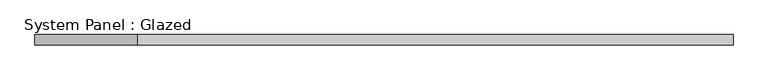
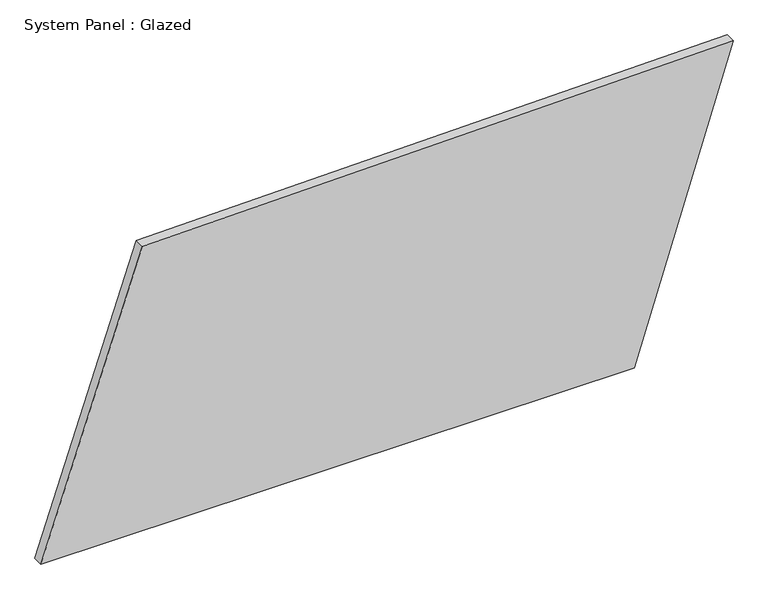
"""IFC4 building model written with IfcOpenShell, lengths in millimetres: plate geometry, System Panel : Glazed."""

from ifc_helpers import new_model, si_unit, frame, origin, place, context, project, spatial, polyline, outline, extrude, source, transform, mapped, element, save


def system_panel_glazed_f801e384(model_context):
    return source(origin(), model_context, "Body", "SweptSolid", [
        extrude(outline(polyline([(0.0, -832.4641389), (0.0, 594.6621633), (748.7393211, 832.4641389), (722.8942015, -588.6919663), (0.0, -832.4641389)])), frame((0.0, -49.5, 0.0), z_axis=(0.0, 1.0, 0.0), x_axis=(0.0, 0.0, 1.0)), (0.0, 0.0, 1.0), 25.0),
    ])


if __name__ == "__main__":
    model = new_model("IFC4")
    model_context = context("Model", 3, world=origin())
    ifc_project = project(units=[si_unit("LENGTHUNIT", "METRE", prefix="MILLI")], contexts=[model_context])
    site = spatial("IfcSite", under=ifc_project)
    building = spatial("IfcBuilding", under=site)
    placement = place(None, origin())
    system_panel_glazed_shape = system_panel_glazed_f801e384(model_context)
    element("IfcPlate", 1, ObjectType="System Panel : Glazed", at=placement, inside=building, context=model_context, shape_type="MappedRepresentation", body=[
        mapped(system_panel_glazed_shape, transform((0.0, 0.0, 0.0), x_axis=(1.0, 0.0, 0.0), y_axis=(0.0, 1.0, 0.0), z_axis=(0.0, 0.0, 1.0))),
    ])
    save(model, "model.ifc")
